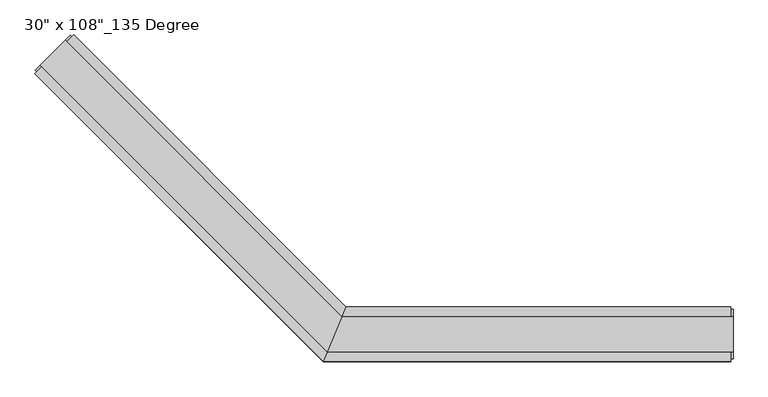
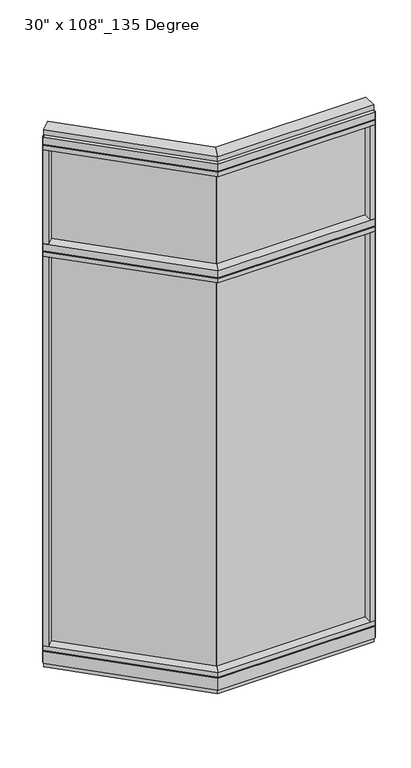
"""IFC4 building model written with IfcOpenShell, lengths in millimetres: furniture geometry."""

from ifc_helpers import new_model, si_unit, frame, origin, origin_with_axes, place, context, project, spatial, polyline, outline, extrude, faceted_brep, source, transform, mapped, element, save


def furniture_2690e202(model_context):
    return source(origin(), model_context, "Body", "SolidModel", [
        extrude(outline(polyline([(-929.0236406, 497.3272401), (-921.8394357, 504.511445), (-414.9937802, -2.3342105), (-422.1779851, -9.5184154), (-929.0236406, 497.3272401)])), frame((0.0, 0.0, 2174.875), z_axis=(0.0, 0.0, 1.0), x_axis=(1.0, 0.0, 0.0)), (0.0, 0.0, 1.0), 457.2),
        extrude(outline(polyline([(-929.0236406, 497.3272401), (-921.8394357, 504.511445), (-414.9937802, -2.3342105), (-422.1779851, -9.5184154), (-929.0236406, 497.3272401)])), frame((0.0, 0.0, 120.523), z_axis=(0.0, 0.0, 1.0), x_axis=(1.0, 0.0, 0.0)), (0.0, 0.0, 1.0), 2013.077),
        extrude(outline(polyline([(-905.2259618, 552.5558152), (-398.952425, 46.2822784), (-441.0365229, -55.3177216), (-977.0680108, 480.7137662), (-905.2259618, 552.5558152)])), frame((0.0, 0.0, 2111.375), z_axis=(0.0, 0.0, 1.0), x_axis=(1.0, 0.0, 0.0)), (0.0, 0.0, 1.0), 22.225),
        faceted_brep([(-398.952425, 46.2822784, 2138.553), (-398.952425, 46.2822784, 2174.875), (-441.0365229, -55.3177216, 2174.875), (-441.0365229, -55.3177216, 2138.553), (-438.9849232, -50.3647216, 2138.553), (-438.9849232, -50.3647216, 2133.6), (-401.0040248, 41.3292784, 2133.6), (-401.0040248, 41.3292784, 2138.553), (-905.2259618, 552.5558152, 2138.553), (-908.7282617, 549.0535153, 2138.553), (-908.7282617, 549.0535153, 2133.6), (-973.5657109, 484.2160661, 2133.6), (-973.5657109, 484.2160661, 2138.553), (-977.0680108, 480.7137662, 2138.553), (-977.0680108, 480.7137662, 2174.875), (-905.2259618, 552.5558152, 2174.875)], [[[0, 1, 2, 3, 4, 5, 6, 7]], [[8, 9, 10, 11, 12, 13, 14, 15]], [[8, 0, 7, 9]], [[13, 3, 2, 14]], [[14, 2, 1, 15]], [[15, 1, 0, 8]], [[9, 7, 6, 10]], [[10, 6, 5, 11]], [[11, 5, 4, 12]], [[12, 4, 3, 13]]]),
        extrude(outline(polyline([(-961.3525626, 464.998318), (-977.0680108, 480.7137662), (-905.2259618, 552.5558152), (-889.5105136, 536.840367), (-961.3525626, 464.998318)])), frame((0.0, 0.0, 2174.875), z_axis=(0.0, 0.0, 1.0), x_axis=(1.0, 0.0, 0.0)), (0.0, 0.0, 1.0), 479.425),
        extrude(outline(polyline([(-905.2259618, 552.5558152), (-398.952425, 46.2822784), (-441.0365229, -55.3177216), (-977.0680108, 480.7137662), (-905.2259618, 552.5558152)])), frame((0.0, 0.0, 2654.3), z_axis=(0.0, 0.0, 1.0), x_axis=(1.0, 0.0, 0.0)), (0.0, 0.0, 1.0), 22.225),
        faceted_brep([(-398.952425, 46.2822784, 2681.478), (-398.952425, 46.2822784, 2717.8), (-441.0365229, -55.3177216, 2717.8), (-441.0365229, -55.3177216, 2681.478), (-438.9849232, -50.3647216, 2681.478), (-438.9849232, -50.3647216, 2676.525), (-401.0040248, 41.3292784, 2676.525), (-401.0040248, 41.3292784, 2681.478), (-905.2259618, 552.5558152, 2681.478), (-908.7282617, 549.0535153, 2681.478), (-908.7282617, 549.0535153, 2676.525), (-973.5657109, 484.2160661, 2676.525), (-973.5657109, 484.2160661, 2681.478), (-977.0680108, 480.7137662, 2681.478), (-977.0680108, 480.7137662, 2717.8), (-905.2259618, 552.5558152, 2717.8)], [[[0, 1, 2, 3, 4, 5, 6, 7]], [[8, 9, 10, 11, 12, 13, 14, 15]], [[8, 0, 7, 9]], [[13, 3, 2, 14]], [[14, 2, 1, 15]], [[15, 1, 0, 8]], [[9, 7, 6, 10]], [[10, 6, 5, 11]], [[11, 5, 4, 12]], [[12, 4, 3, 13]]]),
        extrude(outline(polyline([(-920.94141, 542.4081258), (-406.5275626, 27.9942784), (-433.4613853, -37.0297216), (-966.9203214, 496.4292145), (-920.94141, 542.4081258)])), frame((0.0, 0.0, 2717.8), z_axis=(0.0, 0.0, 1.0), x_axis=(1.0, 0.0, 0.0)), (0.0, 0.0, 1.0), 25.4),
        faceted_brep([(-401.0040248, 41.3292784, 93.345), (-401.0040248, 41.3292784, 98.298), (-438.9849232, -50.3647216, 98.298), (-438.9849232, -50.3647216, 93.345), (-441.0365229, -55.3177216, 93.345), (-441.0365229, -55.3177216, 31.75), (-398.952425, 46.2822784, 31.75), (-398.952425, 46.2822784, 93.345), (-905.2259618, 552.5558152, 93.345), (-905.2259618, 552.5558152, 31.75), (-977.0680108, 480.7137662, 31.75), (-977.0680108, 480.7137662, 93.345), (-973.5657109, 484.2160661, 93.345), (-973.5657109, 484.2160661, 98.298), (-908.7282617, 549.0535153, 98.298), (-908.7282617, 549.0535153, 93.345)], [[[0, 1, 2, 3, 4, 5, 6, 7]], [[8, 9, 10, 11, 12, 13, 14, 15]], [[15, 0, 7, 8]], [[10, 5, 4, 11]], [[9, 6, 5, 10]], [[8, 7, 6, 9]], [[14, 1, 0, 15]], [[13, 2, 1, 14]], [[12, 3, 2, 13]], [[11, 4, 3, 12]]]),
        extrude(outline(polyline([(-905.2259618, 552.5558152), (-398.952425, 46.2822784), (-441.0365229, -55.3177216), (-977.0680108, 480.7137662), (-905.2259618, 552.5558152)])), frame((0.0, 0.0, 98.298), z_axis=(0.0, 0.0, 1.0), x_axis=(1.0, 0.0, 0.0)), (0.0, 0.0, 1.0), 22.225),
        extrude(outline(polyline([(-920.94141, 542.4081258), (-406.5275626, 27.9942784), (-433.4613853, -37.0297216), (-966.9203214, 496.4292145), (-920.94141, 542.4081258)])), origin_with_axes(), (0.0, 0.0, 1.0), 31.75),
        extrude(outline(polyline([(-961.3525626, 464.998318), (-977.0680108, 480.7137662), (-905.2259618, 552.5558152), (-889.5105136, 536.840367), (-961.3525626, 464.998318)])), frame((0.0, 0.0, 120.523), z_axis=(0.0, 0.0, 1.0), x_axis=(1.0, 0.0, 0.0)), (0.0, 0.0, 1.0), 1990.852),
        extrude(outline(polyline([(-976.3495903, 486.9999455), (-911.5121411, 551.8373947), (-908.7282617, 549.0535153), (-973.5657109, 484.2160661), (-976.3495903, 486.9999455)])), frame((0.0, 0.0, 31.75), z_axis=(0.0, 0.0, 1.0), x_axis=(1.0, 0.0, 0.0)), (0.0, 0.0, 1.0), 2686.05),
        extrude(outline(polyline([(294.8014771, -9.5977216), (-421.9865229, -9.5977216), (-421.9865229, 0.5622784), (294.8014771, 0.5622784), (294.8014771, -9.5977216)])), frame((0.0, 0.0, 2174.875), z_axis=(0.0, 0.0, 1.0), x_axis=(1.0, 0.0, 0.0)), (0.0, 0.0, 1.0), 457.2),
        extrude(outline(polyline([(294.8014771, -9.5977216), (-421.9865229, -9.5977216), (-421.9865229, 0.5622784), (294.8014771, 0.5622784), (294.8014771, -9.5977216)])), frame((0.0, 0.0, 120.523), z_axis=(0.0, 0.0, 1.0), x_axis=(1.0, 0.0, 0.0)), (0.0, 0.0, 1.0), 2013.077),
        extrude(outline(polyline([(317.0264771, 46.2822784), (317.0264771, -55.3177216), (-441.0365229, -55.3177216), (-398.952425, 46.2822784), (317.0264771, 46.2822784)])), frame((0.0, 0.0, 2111.375), z_axis=(0.0, 0.0, 1.0), x_axis=(1.0, 0.0, 0.0)), (0.0, 0.0, 1.0), 22.225),
        faceted_brep([(-398.952425, 46.2822784, 2138.553), (-401.0040248, 41.3292784, 2138.553), (-401.0040248, 41.3292784, 2133.6), (-438.9849232, -50.3647216, 2133.6), (-438.9849232, -50.3647216, 2138.553), (-441.0365229, -55.3177216, 2138.553), (-441.0365229, -55.3177216, 2174.875), (-398.952425, 46.2822784, 2174.875), (317.0264771, 46.2822784, 2138.553), (317.0264771, 46.2822784, 2174.875), (317.0264771, -55.3177216, 2174.875), (317.0264771, -55.3177216, 2138.553), (317.0264771, -50.3647216, 2138.553), (317.0264771, -50.3647216, 2133.6), (317.0264771, 41.3292784, 2133.6), (317.0264771, 41.3292784, 2138.553)], [[[0, 1, 2, 3, 4, 5, 6, 7]], [[8, 9, 10, 11, 12, 13, 14, 15]], [[8, 15, 1, 0]], [[11, 10, 6, 5]], [[10, 9, 7, 6]], [[9, 8, 0, 7]], [[15, 14, 2, 1]], [[14, 13, 3, 2]], [[13, 12, 4, 3]], [[12, 11, 5, 4]]]),
        extrude(outline(polyline([(294.8014771, -55.3177216), (294.8014771, 46.2822784), (317.0264771, 46.2822784), (317.0264771, -55.3177216), (294.8014771, -55.3177216)])), frame((0.0, 0.0, 2174.875), z_axis=(0.0, 0.0, 1.0), x_axis=(1.0, 0.0, 0.0)), (0.0, 0.0, 1.0), 479.425),
        extrude(outline(polyline([(317.0264771, 46.2822784), (317.0264771, -55.3177216), (-441.0365229, -55.3177216), (-398.952425, 46.2822784), (317.0264771, 46.2822784)])), frame((0.0, 0.0, 2654.3), z_axis=(0.0, 0.0, 1.0), x_axis=(1.0, 0.0, 0.0)), (0.0, 0.0, 1.0), 22.225),
        faceted_brep([(-398.952425, 46.2822784, 2681.478), (-401.0040248, 41.3292784, 2681.478), (-401.0040248, 41.3292784, 2676.525), (-438.9849232, -50.3647216, 2676.525), (-438.9849232, -50.3647216, 2681.478), (-441.0365229, -55.3177216, 2681.478), (-441.0365229, -55.3177216, 2717.8), (-398.952425, 46.2822784, 2717.8), (317.0264771, 46.2822784, 2681.478), (317.0264771, 46.2822784, 2717.8), (317.0264771, -55.3177216, 2717.8), (317.0264771, -55.3177216, 2681.478), (317.0264771, -50.3647216, 2681.478), (317.0264771, -50.3647216, 2676.525), (317.0264771, 41.3292784, 2676.525), (317.0264771, 41.3292784, 2681.478)], [[[0, 1, 2, 3, 4, 5, 6, 7]], [[8, 9, 10, 11, 12, 13, 14, 15]], [[8, 15, 1, 0]], [[11, 10, 6, 5]], [[10, 9, 7, 6]], [[9, 8, 0, 7]], [[15, 14, 2, 1]], [[14, 13, 3, 2]], [[13, 12, 4, 3]], [[12, 11, 5, 4]]]),
        extrude(outline(polyline([(320.9634771, 27.9942784), (320.9634771, -37.0297216), (-433.4613853, -37.0297216), (-406.5275626, 27.9942784), (320.9634771, 27.9942784)])), frame((0.0, 0.0, 2717.8), z_axis=(0.0, 0.0, 1.0), x_axis=(1.0, 0.0, 0.0)), (0.0, 0.0, 1.0), 25.4),
        faceted_brep([(-401.0040248, 41.3292784, 93.345), (-398.952425, 46.2822784, 93.345), (-398.952425, 46.2822784, 31.75), (-441.0365229, -55.3177216, 31.75), (-441.0365229, -55.3177216, 93.345), (-438.9849232, -50.3647216, 93.345), (-438.9849232, -50.3647216, 98.298), (-401.0040248, 41.3292784, 98.298), (317.0264771, 46.2822784, 93.345), (317.0264771, 41.3292784, 93.345), (317.0264771, 41.3292784, 98.298), (317.0264771, -50.3647216, 98.298), (317.0264771, -50.3647216, 93.345), (317.0264771, -55.3177216, 93.345), (317.0264771, -55.3177216, 31.75), (317.0264771, 46.2822784, 31.75)], [[[0, 1, 2, 3, 4, 5, 6, 7]], [[8, 9, 10, 11, 12, 13, 14, 15]], [[9, 8, 1, 0]], [[14, 13, 4, 3]], [[15, 14, 3, 2]], [[8, 15, 2, 1]], [[10, 9, 0, 7]], [[11, 10, 7, 6]], [[12, 11, 6, 5]], [[13, 12, 5, 4]]]),
        extrude(outline(polyline([(317.0264771, 46.2822784), (317.0264771, -55.3177216), (-441.0365229, -55.3177216), (-398.952425, 46.2822784), (317.0264771, 46.2822784)])), frame((0.0, 0.0, 98.298), z_axis=(0.0, 0.0, 1.0), x_axis=(1.0, 0.0, 0.0)), (0.0, 0.0, 1.0), 22.225),
        extrude(outline(polyline([(320.9634771, 27.9942784), (320.9634771, -37.0297216), (-433.4613853, -37.0297216), (-406.5275626, 27.9942784), (320.9634771, 27.9942784)])), origin_with_axes(), (0.0, 0.0, 1.0), 31.75),
        extrude(outline(polyline([(294.8014771, -55.3177216), (294.8014771, 46.2822784), (317.0264771, 46.2822784), (317.0264771, -55.3177216), (294.8014771, -55.3177216)])), frame((0.0, 0.0, 120.523), z_axis=(0.0, 0.0, 1.0), x_axis=(1.0, 0.0, 0.0)), (0.0, 0.0, 1.0), 1990.852),
        extrude(outline(polyline([(320.9634771, -50.3647216), (317.0264771, -50.3647216), (317.0264771, 41.3292784), (320.9634771, 41.3292784), (320.9634771, -50.3647216)])), frame((0.0, 0.0, 31.75), z_axis=(0.0, 0.0, 1.0), x_axis=(1.0, 0.0, 0.0)), (0.0, 0.0, 1.0), 2686.05),
    ])


if __name__ == "__main__":
    model = new_model("IFC4")
    model_context = context("Model", 3, world=origin())
    ifc_project = project(units=[si_unit("LENGTHUNIT", "METRE", prefix="MILLI")], contexts=[model_context])
    site = spatial("IfcSite", under=ifc_project)
    building = spatial("IfcBuilding", under=site)
    placement = place(None, origin())
    furniture_shape = furniture_2690e202(model_context)
    element("IfcFurniture", 1, ObjectType="30\" x 108\"_135 Degree", at=placement, inside=building, context=model_context, shape_type="MappedRepresentation", body=[
        mapped(furniture_shape, transform((0.0, 0.0, 0.0), x_axis=(1.0, 0.0, 0.0), y_axis=(0.0, 1.0, 0.0), z_axis=(0.0, 0.0, 1.0))),
    ])
    save(model, "model.ifc")
